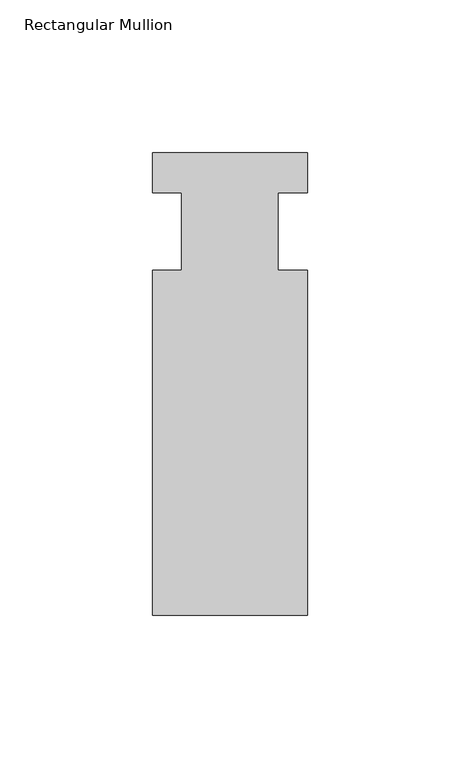
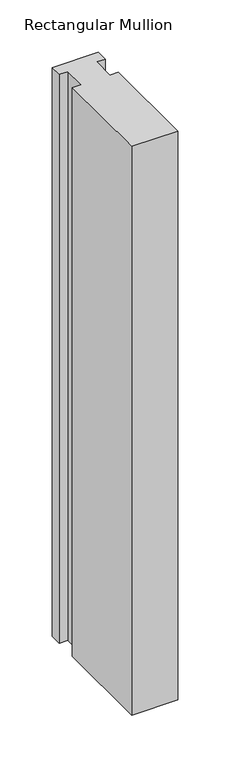
"""IFC4 building model written with IfcOpenShell, lengths in millimetres: member geometry, Rectangular Mullion."""

from ifc_helpers import new_model, si_unit, frame, origin, place, context, project, spatial, polyline, outline, extrude, source, transform, mapped, element, save


def rectangular_mullion_0182863f(model_context):
    return source(origin(), model_context, "Body", "SweptSolid", [
        extrude(outline(polyline([(-25.4, 25.796875), (25.4, 25.796875), (25.4, 12.7), (15.875, 12.7), (15.875, -12.7), (25.4, -12.7), (25.4, -125.809375), (-25.4, -125.809375), (-25.4, -12.7), (-15.875, -12.7), (-15.875, 12.7), (-25.4, 12.7), (-25.4, 25.796875)])), frame((0.0, 0.0, -664.216413), z_axis=(0.0, 0.0, 1.0), x_axis=(1.0, 0.0, 0.0)), (0.0, 0.0, 1.0), 664.216413),
    ])


if __name__ == "__main__":
    model = new_model("IFC4")
    model_context = context("Model", 3, world=origin())
    ifc_project = project(units=[si_unit("LENGTHUNIT", "METRE", prefix="MILLI")], contexts=[model_context])
    site = spatial("IfcSite", under=ifc_project)
    building = spatial("IfcBuilding", under=site)
    placement = place(None, origin())
    rectangular_mullion_shape = rectangular_mullion_0182863f(model_context)
    element("IfcMember", 1, ObjectType="Rectangular Mullion", at=placement, inside=building, context=model_context, shape_type="MappedRepresentation", body=[
        mapped(rectangular_mullion_shape, transform((0.0, 0.0, 0.0), x_axis=(1.0, 0.0, 0.0), y_axis=(0.0, 1.0, 0.0), z_axis=(0.0, 0.0, 1.0))),
    ])
    save(model, "model.ifc")
